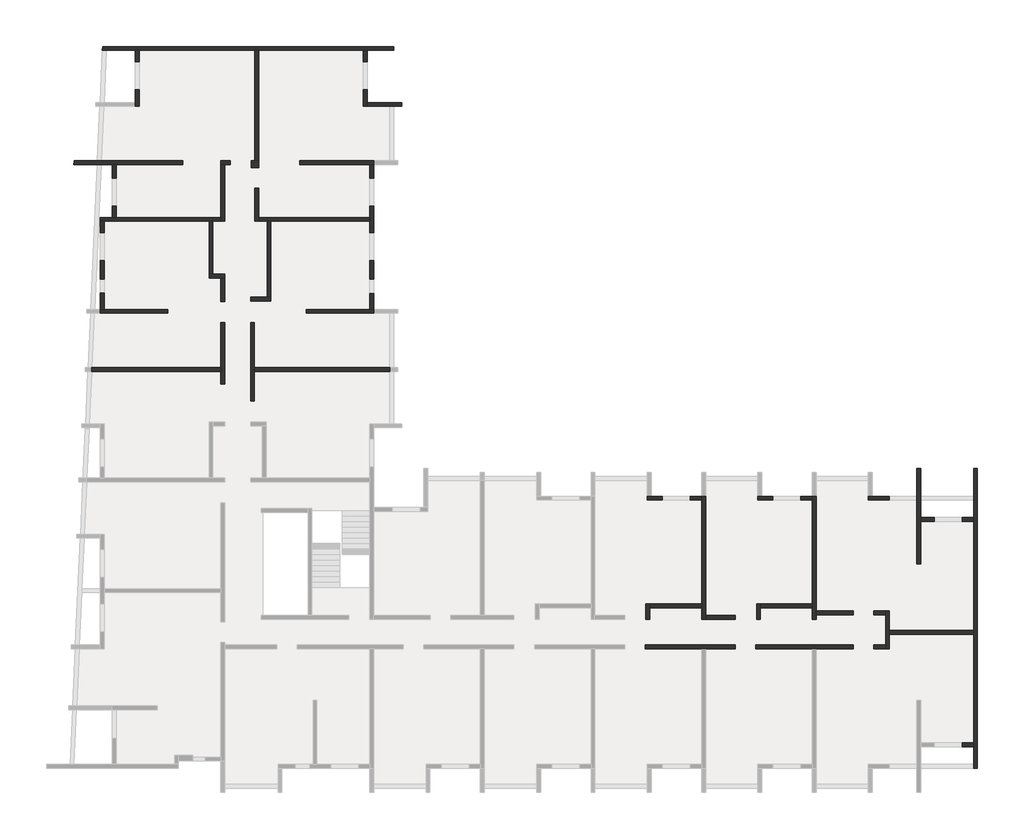
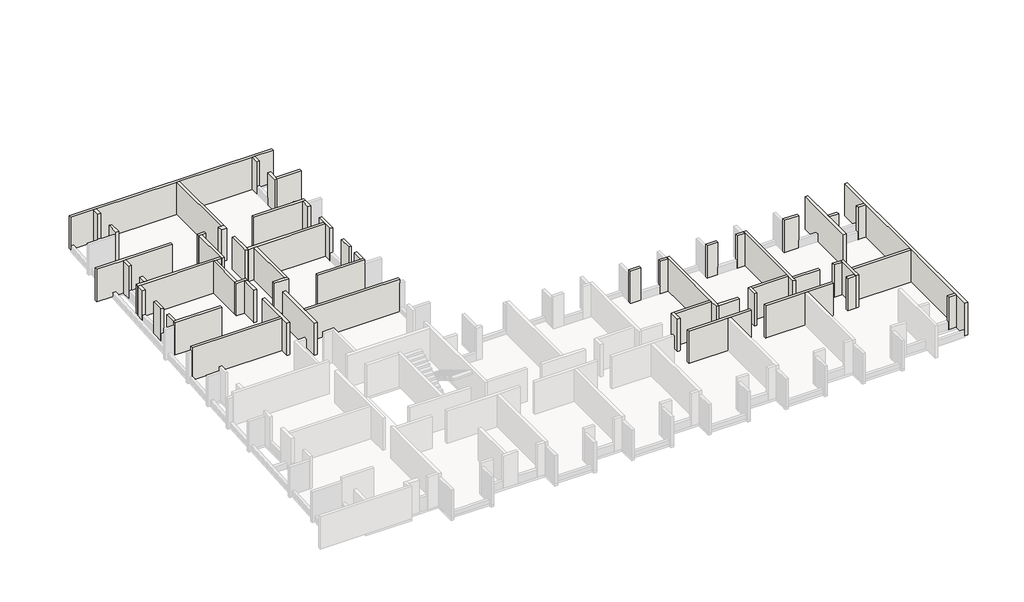
# One storey, part 2 of 4: 59 walls.
"""IFC4 building model written with IfcOpenShell, lengths in millimetres."""

from ifc_helpers import new_model, si_unit, frame, origin, place, context, project, spatial, polyline, outline, extrude, faceted_brep, element, save

model = new_model("IFC4")

# Units and contexts
model_context = context("Model", 3, world=origin())
ifc_project = project(units=[si_unit("LENGTHUNIT", "METRE", prefix="MILLI")], contexts=[model_context])

# Site, building, storey
site = spatial("IfcSite", under=ifc_project)
building = spatial("IfcBuilding", under=site)
storey = spatial("IfcBuildingStorey", under=building, Elevation=9760.0)

# Walls
placement = place(None, origin())
element("IfcWall", 1, ObjectType="MHA20", at=placement, inside=storey, context=model_context, shape_type="Brep", body=[
    faceted_brep([(-2535.6912908, -13279.0672499, 9760.0), (-2535.6912908, -12519.0672499, 9760.0), (-2535.6912908, -12319.0672499, 9760.0), (-2535.6912908, -11329.0672499, 9760.0), (-2535.6912908, -11329.0672499, 12290.0), (-2535.6912908, -12319.0672499, 12290.0), (-2535.6912908, -12519.0672499, 12290.0), (-2535.6912908, -13279.0672499, 12290.0), (-2735.6912908, -13279.0672499, 9760.0), (-2735.6912908, -13279.0672499, 12290.0), (-2735.6912908, -13079.0672499, 12290.0), (-2735.6912908, -11529.0672499, 12290.0), (-2735.6912908, -11329.0672499, 12290.0), (-2735.6912908, -11329.0672499, 9760.0), (-2735.6912908, -11529.0672499, 9760.0), (-2735.6912908, -13079.0672499, 9760.0)], [[[0, 1, 2, 3, 4, 5, 6, 7]], [[8, 9, 10, 11, 12, 13, 14, 15]], [[3, 2, 1, 0, 8, 15, 14, 13]], [[7, 6, 5, 4, 12, 11, 10, 9]], [[4, 3, 13, 12]], [[0, 7, 9, 8]]]),
])
element("IfcWall", 2, ObjectType="MHA20", at=placement, inside=storey, context=model_context, shape_type="SweptSolid", body=[
    extrude(outline(polyline([(1794.3087092, -12519.0672499), (-2535.6912908, -12519.0672499), (-2535.6912908, -12319.0672499), (1794.3087092, -12319.0672499), (1794.3087092, -12519.0672499)])), frame((0.0, 0.0, 9760.0), z_axis=(0.0, 0.0, 1.0), x_axis=(1.0, 0.0, 0.0)), (0.0, 0.0, 1.0), 2530.0),
])
element("IfcWall", 3, ObjectType="MHA20", at=placement, inside=storey, context=model_context, shape_type="Brep", body=[
    faceted_brep([(1994.3087092, -19419.0672499, 9760.0), (1994.3087092, -3999.0672499, 9760.0), (1994.3087092, -3999.0672499, 12290.0), (1994.3087092, -19419.0672499, 12290.0), (1794.3087092, -19419.0672499, 9760.0), (1794.3087092, -19419.0672499, 10080.0), (1794.3087092, -19419.0672499, 12140.0), (1794.3087092, -19419.0672499, 12290.0), (1794.3087092, -18319.0672499, 12290.0), (1794.3087092, -18119.0672499, 12290.0), (1794.3087092, -12519.0672499, 12290.0), (1794.3087092, -12319.0672499, 12290.0), (1794.3087092, -6719.0672499, 12290.0), (1794.3087092, -6519.0672499, 12290.0), (1794.3087092, -3999.0672499, 12290.0), (1794.3087092, -3999.0672499, 9760.0), (1794.3087092, -6519.0672499, 9760.0), (1794.3087092, -6719.0672499, 9760.0), (1794.3087092, -12319.0672499, 9760.0), (1794.3087092, -12519.0672499, 9760.0), (1794.3087092, -18119.0672499, 9760.0), (1794.3087092, -18319.0672499, 9760.0)], [[[0, 1, 2, 3]], [[4, 5, 6, 7, 8, 9, 10, 11, 12, 13, 14, 15, 16, 17, 18, 19, 20, 21]], [[1, 0, 4, 21, 20, 19, 18, 17, 16, 15]], [[2, 1, 15, 14]], [[3, 2, 14, 13, 12, 11, 10, 9, 8, 7]], [[0, 3, 7, 6, 5, 4]]]),
])
element("IfcWall", 4, ObjectType="MHA20", at=placement, inside=storey, context=model_context, shape_type="SweptSolid", body=[
    extrude(outline(polyline([(-2735.6912908, -11529.0672499), (-3335.6912908, -11529.0672499), (-3335.6912908, -11329.0672499), (-2735.6912908, -11329.0672499), (-2735.6912908, -11529.0672499)])), frame((0.0, 0.0, 9760.0), z_axis=(0.0, 0.0, 1.0), x_axis=(1.0, 0.0, 0.0)), (0.0, 0.0, 1.0), 2530.0),
])
element("IfcWall", 5, ObjectType="MHA20", at=placement, inside=storey, context=model_context, shape_type="SweptSolid", body=[
    extrude(outline(polyline([(-2735.6912908, -13279.0672499), (-3335.6912908, -13279.0672499), (-3335.6912908, -13079.0672499), (-2735.6912908, -13079.0672499), (-2735.6912908, -13279.0672499)])), frame((0.0, 0.0, 9760.0), z_axis=(0.0, 0.0, 1.0), x_axis=(1.0, 0.0, 0.0)), (0.0, 0.0, 1.0), 2530.0),
])
element("IfcWall", 6, ObjectType="MHA20", at=placement, inside=storey, context=model_context, shape_type="SweptSolid", body=[
    extrude(outline(polyline([(-6305.6912908, -11329.0672499), (-4395.6912908, -11329.0672499), (-4395.6912908, -11529.0672499), (-6305.6912908, -11529.0672499), (-6305.6912908, -11329.0672499)])), frame((0.0, 0.0, 9760.0), z_axis=(0.0, 0.0, 1.0), x_axis=(1.0, 0.0, 0.0)), (0.0, 0.0, 1.0), 2530.0),
])
element("IfcWall", 7, ObjectType="MHA20", at=placement, inside=storey, context=model_context, shape_type="Brep", body=[
    faceted_brep([(-4395.6912908, -13079.0672499, 9760.0), (-9410.6912908, -13079.0672499, 9760.0), (-9410.6912908, -13079.0672499, 12290.0), (-4395.6912908, -13079.0672499, 12290.0), (-4395.6912908, -13279.0672499, 9760.0), (-4395.6912908, -13279.0672499, 12290.0), (-6305.6912908, -13279.0672499, 12290.0), (-6505.6912908, -13279.0672499, 12290.0), (-9410.6912908, -13279.0672499, 12290.0), (-9410.6912908, -13279.0672499, 9760.0), (-6505.6912908, -13279.0672499, 9760.0), (-6305.6912908, -13279.0672499, 9760.0)], [[[0, 1, 2, 3]], [[4, 5, 6, 7, 8, 9, 10, 11]], [[1, 0, 4, 11, 10, 9]], [[2, 1, 9, 8]], [[3, 2, 8, 7, 6, 5]], [[0, 3, 5, 4]]]),
])
element("IfcWall", 8, ObjectType="MHA20", at=placement, inside=storey, context=model_context, shape_type="Brep", body=[
    faceted_brep([(-6305.6912908, -11759.0672499, 9760.0), (-6305.6912908, -11529.0672499, 9760.0), (-6305.6912908, -11329.0672499, 9760.0), (-6305.6912908, -5419.0672499, 9760.0), (-6305.6912908, -5419.0672499, 11990.0), (-6305.6912908, -5419.0672499, 12290.0), (-6305.6912908, -11329.0672499, 12290.0), (-6305.6912908, -11529.0672499, 12290.0), (-6305.6912908, -11759.0672499, 12290.0), (-6505.6912908, -11759.0672499, 9760.0), (-6505.6912908, -11759.0672499, 12290.0), (-6505.6912908, -11159.0672499, 12290.0), (-6505.6912908, -10959.0672499, 12290.0), (-6505.6912908, -5619.0672499, 12290.0), (-6505.6912908, -5419.0672499, 12290.0), (-6505.6912908, -5419.0672499, 11990.0), (-6505.6912908, -5419.0672499, 9760.0), (-6505.6912908, -5619.0672499, 9760.0), (-6505.6912908, -10959.0672499, 9760.0), (-6505.6912908, -11159.0672499, 9760.0)], [[[0, 1, 2, 3, 4, 5, 6, 7, 8]], [[9, 10, 11, 12, 13, 14, 15, 16, 17, 18, 19]], [[3, 2, 1, 0, 9, 19, 18, 17, 16]], [[8, 7, 6, 5, 14, 13, 12, 11, 10]], [[0, 8, 10, 9]], [[5, 4, 3, 16, 15, 14]]]),
])
element("IfcWall", 9, ObjectType="MHA20", at=placement, inside=storey, context=model_context, shape_type="SweptSolid", body=[
    extrude(outline(polyline([(1794.3087092, -18319.0672499), (1214.3087092, -18319.0672499), (1214.3087092, -18119.0672499), (1794.3087092, -18119.0672499), (1794.3087092, -18319.0672499)])), frame((0.0, 0.0, 9760.0), z_axis=(0.0, 0.0, 1.0), x_axis=(1.0, 0.0, 0.0)), (0.0, 0.0, 1.0), 2530.0),
])
element("IfcWall", 10, ObjectType="MHA20", at=placement, inside=storey, context=model_context, shape_type="SweptSolid", body=[
    extrude(outline(polyline([(-225.6912908, -6719.0672499), (-925.6912908, -6719.0672499), (-925.6912908, -6519.0672499), (-225.6912908, -6519.0672499), (-225.6912908, -6719.0672499)])), frame((0.0, 0.0, 9760.0), z_axis=(0.0, 0.0, 1.0), x_axis=(1.0, 0.0, 0.0)), (0.0, 0.0, 1.0), 2530.0),
])
element("IfcWall", 11, ObjectType="MHA20", at=placement, inside=storey, context=model_context, shape_type="SweptSolid", body=[
    extrude(outline(polyline([(1794.3087092, -6719.0672499), (1214.3087092, -6719.0672499), (1214.3087092, -6519.0672499), (1794.3087092, -6519.0672499), (1794.3087092, -6719.0672499)])), frame((0.0, 0.0, 9760.0), z_axis=(0.0, 0.0, 1.0), x_axis=(1.0, 0.0, 0.0)), (0.0, 0.0, 1.0), 2530.0),
])
element("IfcWall", 12, ObjectType="MHA20", at=placement, inside=storey, context=model_context, shape_type="Brep", body=[
    faceted_brep([(-1125.6912908, -3999.0672499, 9760.0), (-1125.6912908, -5419.0672499, 9760.0), (-1125.6912908, -5619.0672499, 9760.0), (-1125.6912908, -8899.0672499, 9760.0), (-1125.6912908, -8899.0672499, 12290.0), (-1125.6912908, -3999.0672499, 12290.0), (-925.6912908, -3999.0672499, 9760.0), (-925.6912908, -3999.0672499, 12290.0), (-925.6912908, -6519.0672499, 12290.0), (-925.6912908, -6719.0672499, 12290.0), (-925.6912908, -8899.0672499, 12290.0), (-925.6912908, -8899.0672499, 9760.0), (-925.6912908, -6719.0672499, 9760.0), (-925.6912908, -6519.0672499, 9760.0)], [[[0, 1, 2, 3, 4, 5]], [[6, 7, 8, 9, 10, 11, 12, 13]], [[3, 2, 1, 0, 6, 13, 12, 11]], [[4, 3, 11, 10]], [[5, 4, 10, 9, 8, 7]], [[0, 5, 7, 6]]]),
])
element("IfcWall", 13, ObjectType="MHA20", at=placement, inside=storey, context=model_context, shape_type="Brep", body=[
    faceted_brep([(-3615.6912908, -5619.0672499, 9760.0), (-2545.6912908, -5619.0672499, 9760.0), (-2545.6912908, -5619.0672499, 10360.0), (-2545.6912908, -5619.0672499, 12290.0), (-3615.6912908, -5619.0672499, 12290.0), (-3615.6912908, -5419.0672499, 9760.0), (-3615.6912908, -5419.0672499, 11990.0), (-3615.6912908, -5419.0672499, 12290.0), (-2545.6912908, -5419.0672499, 12290.0), (-2545.6912908, -5419.0672499, 10360.0), (-2545.6912908, -5419.0672499, 9760.0), (-3415.6912908, -5419.0672499, 9760.0)], [[[0, 1, 2, 3, 4]], [[5, 6, 7, 8, 9, 10, 11]], [[1, 0, 5, 11, 10]], [[3, 2, 1, 10, 9, 8]], [[4, 3, 8, 7]], [[0, 4, 7, 6, 5]]]),
])
element("IfcWall", 14, ObjectType="MHA20", at=placement, inside=storey, context=model_context, shape_type="Brep", body=[
    faceted_brep([(-11995.6912908, -11759.0672499, 9760.0), (-11995.6912908, -11559.0672499, 9760.0), (-11995.6912908, -5419.0672499, 9760.0), (-11995.6912908, -5419.0672499, 11990.0), (-11995.6912908, -5419.0672499, 12290.0), (-11995.6912908, -11559.0672499, 12290.0), (-11995.6912908, -11759.0672499, 12290.0), (-12195.6912908, -11759.0672499, 9760.0), (-12195.6912908, -11759.0672499, 12290.0), (-12195.6912908, -11159.0672499, 12290.0), (-12195.6912908, -10959.0672499, 12290.0), (-12195.6912908, -5619.0672499, 12290.0), (-12195.6912908, -5419.0672499, 12290.0), (-12195.6912908, -5419.0672499, 11990.0), (-12195.6912908, -5419.0672499, 9760.0), (-12195.6912908, -5619.0672499, 9760.0), (-12195.6912908, -10959.0672499, 9760.0), (-12195.6912908, -11159.0672499, 9760.0)], [[[0, 1, 2, 3, 4, 5, 6]], [[7, 8, 9, 10, 11, 12, 13, 14, 15, 16, 17]], [[2, 1, 0, 7, 17, 16, 15, 14]], [[6, 5, 4, 12, 11, 10, 9, 8]], [[0, 6, 8, 7]], [[4, 3, 2, 14, 13, 12]]]),
])
element("IfcWall", 15, ObjectType="MHA20", at=placement, inside=storey, context=model_context, shape_type="Brep", body=[
    faceted_brep([(-9305.6912908, -5619.0672499, 9760.0), (-8525.6912908, -5619.0672499, 9760.0), (-8525.6912908, -5619.0672499, 10360.0), (-8525.6912908, -5619.0672499, 12290.0), (-9305.6912908, -5619.0672499, 12290.0), (-9305.6912908, -5419.0672499, 9760.0), (-9305.6912908, -5419.0672499, 11990.0), (-9305.6912908, -5419.0672499, 12290.0), (-8525.6912908, -5419.0672499, 12290.0), (-8525.6912908, -5419.0672499, 10360.0), (-8525.6912908, -5419.0672499, 9760.0), (-9105.6912908, -5419.0672499, 9760.0)], [[[0, 1, 2, 3, 4]], [[5, 6, 7, 8, 9, 10, 11]], [[1, 0, 5, 11, 10]], [[3, 2, 1, 10, 9, 8]], [[4, 3, 8, 7]], [[0, 4, 7, 6, 5]]]),
])
element("IfcWall", 16, ObjectType="MHA20", at=placement, inside=storey, context=model_context, shape_type="Brep", body=[
    faceted_brep([(-14995.6912908, -5619.0672499, 9760.0), (-14215.6912908, -5619.0672499, 9760.0), (-14215.6912908, -5619.0672499, 10360.0), (-14215.6912908, -5619.0672499, 12290.0), (-14995.6912908, -5619.0672499, 12290.0), (-14995.6912908, -5419.0672499, 9760.0), (-14995.6912908, -5419.0672499, 11990.0), (-14995.6912908, -5419.0672499, 12290.0), (-14215.6912908, -5419.0672499, 12290.0), (-14215.6912908, -5419.0672499, 10360.0), (-14215.6912908, -5419.0672499, 9760.0), (-14795.6912908, -5419.0672499, 9760.0)], [[[0, 1, 2, 3, 4]], [[5, 6, 7, 8, 9, 10, 11]], [[1, 0, 5, 11, 10]], [[3, 2, 1, 10, 9, 8]], [[4, 3, 8, 7]], [[0, 4, 7, 6, 5]]]),
])
element("IfcWall", 17, ObjectType="MHA20", at=placement, inside=storey, context=model_context, shape_type="Brep", body=[
    faceted_brep([(-12775.6912908, -5619.0672499, 9760.0), (-12195.6912908, -5619.0672499, 9760.0), (-12195.6912908, -5619.0672499, 12290.0), (-12775.6912908, -5619.0672499, 12290.0), (-12775.6912908, -5619.0672499, 10360.0), (-12775.6912908, -5419.0672499, 9760.0), (-12775.6912908, -5419.0672499, 10360.0), (-12775.6912908, -5419.0672499, 12290.0), (-12195.6912908, -5419.0672499, 12290.0), (-12195.6912908, -5419.0672499, 9760.0)], [[[0, 1, 2, 3, 4]], [[5, 6, 7, 8, 9]], [[1, 0, 5, 9]], [[3, 2, 8, 7]], [[0, 4, 3, 7, 6, 5]], [[2, 1, 9, 8]]]),
])
element("IfcWall", 18, ObjectType="MHA20", at=placement, inside=storey, context=model_context, shape_type="Brep", body=[
    faceted_brep([(-10470.6912908, -13079.0672499, 9760.0), (-15100.6912908, -13079.0672499, 9760.0), (-15100.6912908, -13079.0672499, 12290.0), (-10470.6912908, -13079.0672499, 12290.0), (-10470.6912908, -13279.0672499, 9760.0), (-10470.6912908, -13279.0672499, 12290.0), (-11995.6912908, -13279.0672499, 12290.0), (-12195.6912908, -13279.0672499, 12290.0), (-15100.6912908, -13279.0672499, 12290.0), (-15100.6912908, -13279.0672499, 9760.0), (-12195.6912908, -13279.0672499, 9760.0), (-11995.6912908, -13279.0672499, 9760.0)], [[[0, 1, 2, 3]], [[4, 5, 6, 7, 8, 9, 10, 11]], [[1, 0, 4, 11, 10, 9]], [[2, 1, 9, 8]], [[3, 2, 8, 7, 6, 5]], [[0, 3, 5, 4]]]),
])
element("IfcWall", 19, ObjectType="MHA20", at=placement, inside=storey, context=model_context, shape_type="SweptSolid", body=[
    extrude(outline(polyline([(-11995.6912908, -11559.0672499), (-10470.6912908, -11559.0672499), (-10470.6912908, -11759.0672499), (-11995.6912908, -11759.0672499), (-11995.6912908, -11559.0672499)])), frame((0.0, 0.0, 9760.0), z_axis=(0.0, 0.0, 1.0), x_axis=(1.0, 0.0, 0.0)), (0.0, 0.0, 1.0), 2530.0),
])
element("IfcWall", 20, ObjectType="MHA20", at=placement, inside=storey, context=model_context, shape_type="Brep", body=[
    faceted_brep([(-9170.6912908, -11759.0672499, 9760.0), (-9170.6912908, -11159.0672499, 9760.0), (-9170.6912908, -10959.0672499, 9760.0), (-9170.6912908, -10959.0672499, 12290.0), (-9170.6912908, -11159.0672499, 12290.0), (-9170.6912908, -11759.0672499, 12290.0), (-9370.6912908, -11759.0672499, 9760.0), (-9370.6912908, -11759.0672499, 12290.0), (-9370.6912908, -10959.0672499, 12290.0), (-9370.6912908, -10959.0672499, 9760.0)], [[[0, 1, 2, 3, 4, 5]], [[6, 7, 8, 9]], [[2, 1, 0, 6, 9]], [[5, 4, 3, 8, 7]], [[0, 5, 7, 6]], [[3, 2, 9, 8]]]),
])
element("IfcWall", 21, ObjectType="MHA20", at=placement, inside=storey, context=model_context, shape_type="SweptSolid", body=[
    extrude(outline(polyline([(-6505.6912908, -11159.0672499), (-9170.6912908, -11159.0672499), (-9170.6912908, -10959.0672499), (-6505.6912908, -10959.0672499), (-6505.6912908, -11159.0672499)])), frame((0.0, 0.0, 9760.0), z_axis=(0.0, 0.0, 1.0), x_axis=(1.0, 0.0, 0.0)), (0.0, 0.0, 1.0), 2530.0),
])
element("IfcWall", 22, ObjectType="MHA20", at=placement, inside=storey, context=model_context, shape_type="Brep", body=[
    faceted_brep([(-14860.6912908, -11759.0672499, 9760.0), (-14860.6912908, -11159.0672499, 9760.0), (-14860.6912908, -10959.0672499, 9760.0), (-14860.6912908, -10959.0672499, 12290.0), (-14860.6912908, -11159.0672499, 12290.0), (-14860.6912908, -11759.0672499, 12290.0), (-15060.6912908, -11759.0672499, 9760.0), (-15060.6912908, -11759.0672499, 12290.0), (-15060.6912908, -10959.0672499, 12290.0), (-15060.6912908, -10959.0672499, 9760.0)], [[[0, 1, 2, 3, 4, 5]], [[6, 7, 8, 9]], [[2, 1, 0, 6, 9]], [[5, 4, 3, 8, 7]], [[0, 5, 7, 6]], [[3, 2, 9, 8]]]),
])
element("IfcWall", 23, ObjectType="MHA20", at=placement, inside=storey, context=model_context, shape_type="SweptSolid", body=[
    extrude(outline(polyline([(-12195.6912908, -11159.0672499), (-14860.6912908, -11159.0672499), (-14860.6912908, -10959.0672499), (-12195.6912908, -10959.0672499), (-12195.6912908, -11159.0672499)])), frame((0.0, 0.0, 9760.0), z_axis=(0.0, 0.0, 1.0), x_axis=(1.0, 0.0, 0.0)), (0.0, 0.0, 1.0), 2530.0),
])
element("IfcWall", 24, ObjectType="MHA20", at=placement, inside=storey, context=model_context, shape_type="Brep", body=[
    faceted_brep([(-35205.6912908, -509.0672499, 9760.0), (-35205.6912908, 1000.9327501, 9760.0), (-35205.6912908, 1200.9327501, 9760.0), (-35205.6912908, 3530.9327501, 9760.0), (-35205.6912908, 3530.9327501, 12290.0), (-35205.6912908, 1200.9327501, 12290.0), (-35205.6912908, 1000.9327501, 12290.0), (-35205.6912908, -509.0672499, 12290.0), (-35405.6912908, -509.0672499, 9760.0), (-35405.6912908, -509.0672499, 12290.0), (-35405.6912908, 3530.9327501, 12290.0), (-35405.6912908, 3530.9327501, 9760.0)], [[[0, 1, 2, 3, 4, 5, 6, 7]], [[8, 9, 10, 11]], [[3, 2, 1, 0, 8, 11]], [[4, 3, 11, 10]], [[7, 6, 5, 4, 10, 9]], [[0, 7, 9, 8]]]),
])
element("IfcWall", 25, ObjectType="MHA20", at=placement, inside=storey, context=model_context, shape_type="Brep", body=[
    faceted_brep([(-29395.6912908, 16950.9327501, 9760.0), (-29395.6912908, 17530.9327501, 9760.0), (-29395.6912908, 17530.9327501, 12290.0), (-29395.6912908, 16950.9327501, 12290.0), (-29395.6912908, 16950.9327501, 10360.0), (-29595.6912908, 16950.9327501, 9760.0), (-29595.6912908, 16950.9327501, 10360.0), (-29595.6912908, 16950.9327501, 12290.0), (-29595.6912908, 17530.9327501, 12290.0), (-29595.6912908, 17530.9327501, 9760.0)], [[[0, 1, 2, 3, 4]], [[5, 6, 7, 8, 9]], [[1, 0, 5, 9]], [[3, 2, 8, 7]], [[0, 4, 3, 7, 6, 5]], [[2, 1, 9, 8]]]),
])
element("IfcWall", 26, ObjectType="MHA20", at=placement, inside=storey, context=model_context, shape_type="Brep", body=[
    faceted_brep([(-36935.6912908, 1000.9327501, 9760.0), (-36935.6912908, 1000.9327501, 12290.0), (-43571.6196137, 1000.9327501, 12290.0), (-43571.6196137, 1000.9327501, 11990.0), (-43571.6196137, 1000.9327501, 9760.0), (-36935.6912908, 1200.9327501, 12290.0), (-36935.6912908, 1200.9327501, 9760.0), (-43562.5466312, 1200.9327501, 9760.0), (-43562.5466312, 1200.9327501, 11990.0), (-43562.5466312, 1200.9327501, 12290.0)], [[[0, 1, 2, 3, 4]], [[5, 6, 7, 8, 9]], [[6, 0, 4, 7]], [[1, 5, 9, 2]], [[4, 3, 2, 9, 8, 7]], [[1, 0, 6, 5]]]),
])
element("IfcWall", 27, ObjectType="MHA20", at=placement, inside=storey, context=model_context, shape_type="Brep", body=[
    faceted_brep([(-35205.6912908, 1000.9327501, 9760.0), (-28235.6912908, 1000.9327501, 9760.0), (-28235.6912908, 1000.9327501, 11990.0), (-28235.6912908, 1000.9327501, 12290.0), (-35205.6912908, 1000.9327501, 12290.0), (-35205.6912908, 1200.9327501, 9760.0), (-35205.6912908, 1200.9327501, 12290.0), (-28235.6912908, 1200.9327501, 12290.0), (-28235.6912908, 1200.9327501, 11990.0), (-28235.6912908, 1200.9327501, 9760.0)], [[[0, 1, 2, 3, 4]], [[5, 6, 7, 8, 9]], [[1, 0, 5, 9]], [[3, 2, 1, 9, 8, 7]], [[4, 3, 7, 6]], [[0, 4, 6, 5]]]),
])
element("IfcWall", 28, ObjectType="MHA20", at=placement, inside=storey, context=model_context, shape_type="Brep", body=[
    faceted_brep([(-35405.6912908, 4620.9327501, 9760.0), (-34355.6912908, 4620.9327501, 9760.0), (-34355.6912908, 4620.9327501, 12290.0), (-35405.6912908, 4620.9327501, 12290.0), (-35405.6912908, 4820.9327501, 9760.0), (-35405.6912908, 4820.9327501, 12290.0), (-34555.6912908, 4820.9327501, 12290.0), (-34355.6912908, 4820.9327501, 12290.0), (-34355.6912908, 4820.9327501, 9760.0), (-34555.6912908, 4820.9327501, 9760.0)], [[[0, 1, 2, 3]], [[4, 5, 6, 7, 8, 9]], [[1, 0, 4, 9, 8]], [[3, 2, 7, 6, 5]], [[0, 3, 5, 4]], [[2, 1, 8, 7]]]),
])
element("IfcWall", 29, ObjectType="MHA20", at=placement, inside=storey, context=model_context, shape_type="SweptSolid", body=[
    extrude(outline(polyline([(-34355.6912908, 8730.9327501), (-34355.6912908, 4820.9327501), (-34555.6912908, 4820.9327501), (-34555.6912908, 8730.9327501), (-34355.6912908, 8730.9327501)])), frame((0.0, 0.0, 9760.0), z_axis=(0.0, 0.0, 1.0), x_axis=(1.0, 0.0, 0.0)), (0.0, 0.0, 1.0), 2530.0),
])
element("IfcWall", 30, ObjectType="MHA20", at=placement, inside=storey, context=model_context, shape_type="Brep", body=[
    faceted_brep([(-29065.6912908, 4200.9327501, 9760.0), (-29065.6912908, 5020.9327501, 9760.0), (-29065.6912908, 5020.9327501, 10360.0), (-29065.6912908, 5020.9327501, 12290.0), (-29065.6912908, 4200.9327501, 12290.0), (-29265.6912908, 4200.9327501, 9760.0), (-29265.6912908, 4200.9327501, 12290.0), (-29265.6912908, 5020.9327501, 12290.0), (-29265.6912908, 5020.9327501, 10360.0), (-29265.6912908, 5020.9327501, 9760.0)], [[[0, 1, 2, 3, 4]], [[5, 6, 7, 8, 9]], [[1, 0, 5, 9]], [[3, 2, 1, 9, 8, 7]], [[4, 3, 7, 6]], [[0, 4, 6, 5]]]),
])
element("IfcWall", 31, ObjectType="MHA20", at=placement, inside=storey, context=model_context, shape_type="Brep", body=[
    faceted_brep([(-29065.6912908, 5760.9327501, 9760.0), (-29065.6912908, 6710.9327501, 9760.0), (-29065.6912908, 6710.9327501, 10360.0), (-29065.6912908, 6710.9327501, 12290.0), (-29065.6912908, 5760.9327501, 12290.0), (-29065.6912908, 5760.9327501, 10360.0), (-29265.6912908, 5760.9327501, 9760.0), (-29265.6912908, 5760.9327501, 10360.0), (-29265.6912908, 5760.9327501, 12290.0), (-29265.6912908, 6710.9327501, 12290.0), (-29265.6912908, 6710.9327501, 10360.0), (-29265.6912908, 6710.9327501, 9760.0)], [[[0, 1, 2, 3, 4, 5]], [[6, 7, 8, 9, 10, 11]], [[1, 0, 6, 11]], [[3, 2, 1, 11, 10, 9]], [[4, 3, 9, 8]], [[0, 5, 4, 8, 7, 6]]]),
])
element("IfcWall", 32, ObjectType="MHA20", at=placement, inside=storey, context=model_context, shape_type="Brep", body=[
    faceted_brep([(-29065.6912908, 8150.9327501, 9760.0), (-29065.6912908, 9510.9327501, 9760.0), (-29065.6912908, 9510.9327501, 12290.0), (-29065.6912908, 8150.9327501, 12290.0), (-29065.6912908, 8150.9327501, 10360.0), (-29265.6912908, 8150.9327501, 9760.0), (-29265.6912908, 8150.9327501, 10360.0), (-29265.6912908, 8150.9327501, 12290.0), (-29265.6912908, 8730.9327501, 12290.0), (-29265.6912908, 8930.9327501, 12290.0), (-29265.6912908, 9510.9327501, 12290.0), (-29265.6912908, 9510.9327501, 9760.0), (-29265.6912908, 8930.9327501, 9760.0), (-29265.6912908, 8730.9327501, 9760.0)], [[[0, 1, 2, 3, 4]], [[5, 6, 7, 8, 9, 10, 11, 12, 13]], [[1, 0, 5, 13, 12, 11]], [[2, 1, 11, 10]], [[3, 2, 10, 9, 8, 7]], [[0, 4, 3, 7, 6, 5]]]),
])
element("IfcWall", 33, ObjectType="MHA20", at=placement, inside=storey, context=model_context, shape_type="SweptSolid", body=[
    extrude(outline(polyline([(-29065.6912908, 11650.9327501), (-29065.6912908, 10950.9327501), (-29265.6912908, 10950.9327501), (-29265.6912908, 11650.9327501), (-29065.6912908, 11650.9327501)])), frame((0.0, 0.0, 9760.0), z_axis=(0.0, 0.0, 1.0), x_axis=(1.0, 0.0, 0.0)), (0.0, 0.0, 1.0), 2530.0),
])
element("IfcWall", 34, ObjectType="MHA20", at=placement, inside=storey, context=model_context, shape_type="Brep", body=[
    faceted_brep([(-29595.6912908, 15510.9327501, 9760.0), (-29595.6912908, 14650.9327501, 9760.0), (-29595.6912908, 14650.9327501, 12290.0), (-29595.6912908, 15510.9327501, 12290.0), (-29595.6912908, 15510.9327501, 10360.0), (-29395.6912908, 15510.9327501, 9760.0), (-29395.6912908, 15510.9327501, 10360.0), (-29395.6912908, 15510.9327501, 12290.0), (-29395.6912908, 14850.9327501, 12290.0), (-29395.6912908, 14650.9327501, 12290.0), (-29395.6912908, 14650.9327501, 9760.0), (-29395.6912908, 14850.9327501, 9760.0)], [[[0, 1, 2, 3, 4]], [[5, 6, 7, 8, 9, 10, 11]], [[1, 0, 5, 11, 10]], [[3, 2, 9, 8, 7]], [[0, 4, 3, 7, 6, 5]], [[2, 1, 10, 9]]]),
])
element("IfcWall", 35, ObjectType="MHA20", at=placement, inside=storey, context=model_context, shape_type="SweptSolid", body=[
    extrude(outline(polyline([(-35175.6912908, 11850.9327501), (-35175.6912908, 17530.9327501), (-34975.6912908, 17530.9327501), (-34975.6912908, 11850.9327501), (-35175.6912908, 11850.9327501)])), frame((0.0, 0.0, 9760.0), z_axis=(0.0, 0.0, 1.0), x_axis=(1.0, 0.0, 0.0)), (0.0, 0.0, 1.0), 2530.0),
])
element("IfcWall", 36, ObjectType="MHA20", at=placement, inside=storey, context=model_context, shape_type="Brep", body=[
    faceted_brep([(-35175.6912908, 10430.9327501, 9760.0), (-35175.6912908, 8730.9327501, 9760.0), (-35175.6912908, 8730.9327501, 12290.0), (-35175.6912908, 10430.9327501, 12290.0), (-34975.6912908, 10430.9327501, 9760.0), (-34975.6912908, 10430.9327501, 12290.0), (-34975.6912908, 8930.9327501, 12290.0), (-34975.6912908, 8730.9327501, 12290.0), (-34975.6912908, 8730.9327501, 9760.0), (-34975.6912908, 8930.9327501, 9760.0)], [[[0, 1, 2, 3]], [[4, 5, 6, 7, 8, 9]], [[1, 0, 4, 9, 8]], [[3, 2, 7, 6, 5]], [[0, 3, 5, 4]], [[2, 1, 8, 7]]]),
])
element("IfcWall", 37, ObjectType="MHA20", at=placement, inside=storey, context=model_context, shape_type="Brep", body=[
    faceted_brep([(-36735.6912908, 360.9327501, 9760.0), (-36735.6912908, 3530.9327501, 9760.0), (-36735.6912908, 3530.9327501, 12290.0), (-36735.6912908, 360.9327501, 12290.0), (-36935.6912908, 360.9327501, 9760.0), (-36935.6912908, 360.9327501, 12290.0), (-36935.6912908, 1000.9327501, 12290.0), (-36935.6912908, 1200.9327501, 12290.0), (-36935.6912908, 3530.9327501, 12290.0), (-36935.6912908, 3530.9327501, 9760.0), (-36935.6912908, 1200.9327501, 9760.0), (-36935.6912908, 1000.9327501, 9760.0)], [[[0, 1, 2, 3]], [[4, 5, 6, 7, 8, 9, 10, 11]], [[1, 0, 4, 11, 10, 9]], [[2, 1, 9, 8]], [[3, 2, 8, 7, 6, 5]], [[0, 3, 5, 4]]]),
])
element("IfcWall", 38, ObjectType="MHA20", at=placement, inside=storey, context=model_context, shape_type="Brep", body=[
    faceted_brep([(-41135.6912908, 14650.9327501, 9760.0), (-41135.6912908, 15510.9327501, 9760.0), (-41135.6912908, 15510.9327501, 10360.0), (-41135.6912908, 15510.9327501, 12290.0), (-41135.6912908, 14650.9327501, 12290.0), (-41335.6912908, 14650.9327501, 9760.0), (-41335.6912908, 14650.9327501, 12290.0), (-41335.6912908, 15510.9327501, 12290.0), (-41335.6912908, 15510.9327501, 10360.0), (-41335.6912908, 15510.9327501, 9760.0)], [[[0, 1, 2, 3, 4]], [[5, 6, 7, 8, 9]], [[1, 0, 5, 9]], [[3, 2, 1, 9, 8, 7]], [[4, 3, 7, 6]], [[0, 4, 6, 5]]]),
])
element("IfcWall", 39, ObjectType="MHA20", at=placement, inside=storey, context=model_context, shape_type="Brep", body=[
    faceted_brep([(-41135.6912908, 16950.9327501, 9760.0), (-41135.6912908, 17530.9327501, 9760.0), (-41135.6912908, 17530.9327501, 12290.0), (-41135.6912908, 16950.9327501, 12290.0), (-41135.6912908, 16950.9327501, 10360.0), (-41335.6912908, 16950.9327501, 9760.0), (-41335.6912908, 16950.9327501, 10360.0), (-41335.6912908, 16950.9327501, 12290.0), (-41335.6912908, 17530.9327501, 12290.0), (-41335.6912908, 17530.9327501, 9760.0)], [[[0, 1, 2, 3, 4]], [[5, 6, 7, 8, 9]], [[1, 0, 5, 9]], [[3, 2, 8, 7]], [[0, 4, 3, 7, 6, 5]], [[2, 1, 9, 8]]]),
])
element("IfcWall", 40, ObjectType="MHA20", at=placement, inside=storey, context=model_context, shape_type="Brep", body=[
    faceted_brep([(-36735.6912908, 8730.9327501, 9760.0), (-36735.6912908, 11650.9327501, 9760.0), (-36735.6912908, 11650.9327501, 12290.0), (-36735.6912908, 8730.9327501, 12290.0), (-36935.6912908, 8730.9327501, 9760.0), (-36935.6912908, 8730.9327501, 12290.0), (-36935.6912908, 8930.9327501, 12290.0), (-36935.6912908, 11650.9327501, 12290.0), (-36935.6912908, 11650.9327501, 9760.0), (-36935.6912908, 8930.9327501, 9760.0)], [[[0, 1, 2, 3]], [[4, 5, 6, 7, 8, 9]], [[1, 0, 4, 9, 8]], [[3, 2, 7, 6, 5]], [[2, 1, 8, 7]], [[0, 3, 5, 4]]]),
])
element("IfcWall", 41, ObjectType="MHA20", at=placement, inside=storey, context=model_context, shape_type="Brep", body=[
    faceted_brep([(-36935.6912908, 8930.9327501, 9760.0), (-42325.6912908, 8930.9327501, 9760.0), (-42525.6912908, 8930.9327501, 9760.0), (-43135.6912908, 8930.9327501, 9760.0), (-43135.6912908, 8930.9327501, 12290.0), (-42525.6912908, 8930.9327501, 12290.0), (-42325.6912908, 8930.9327501, 12290.0), (-36935.6912908, 8930.9327501, 12290.0), (-36935.6912908, 8730.9327501, 9760.0), (-36935.6912908, 8730.9327501, 12290.0), (-37335.6912908, 8730.9327501, 12290.0), (-37535.6912908, 8730.9327501, 12290.0), (-42935.6912908, 8730.9327501, 12290.0), (-43135.6912908, 8730.9327501, 12290.0), (-43135.6912908, 8730.9327501, 9760.0), (-42935.6912908, 8730.9327501, 9760.0), (-37535.6912908, 8730.9327501, 9760.0), (-37335.6912908, 8730.9327501, 9760.0)], [[[0, 1, 2, 3, 4, 5, 6, 7]], [[8, 9, 10, 11, 12, 13, 14, 15, 16, 17]], [[3, 2, 1, 0, 8, 17, 16, 15, 14]], [[7, 6, 5, 4, 13, 12, 11, 10, 9]], [[4, 3, 14, 13]], [[0, 7, 9, 8]]]),
])
element("IfcWall", 42, ObjectType="MHA20", at=placement, inside=storey, context=model_context, shape_type="SweptSolid", body=[
    extrude(outline(polyline([(-37535.6912908, 6010.9327501), (-37535.6912908, 8730.9327501), (-37335.6912908, 8730.9327501), (-37335.6912908, 6010.9327501), (-37535.6912908, 6010.9327501)])), frame((0.0, 0.0, 9760.0), z_axis=(0.0, 0.0, 1.0), x_axis=(1.0, 0.0, 0.0)), (0.0, 0.0, 1.0), 2530.0),
])
element("IfcWall", 43, ObjectType="MHA20", at=placement, inside=storey, context=model_context, shape_type="Brep", body=[
    faceted_brep([(-37535.6912908, 5810.9327501, 9760.0), (-36935.6912908, 5810.9327501, 9760.0), (-36735.6912908, 5810.9327501, 9760.0), (-36735.6912908, 5810.9327501, 12290.0), (-36935.6912908, 5810.9327501, 12290.0), (-37535.6912908, 5810.9327501, 12290.0), (-37535.6912908, 6010.9327501, 9760.0), (-37535.6912908, 6010.9327501, 12290.0), (-37335.6912908, 6010.9327501, 12290.0), (-36735.6912908, 6010.9327501, 12290.0), (-36735.6912908, 6010.9327501, 9760.0), (-37335.6912908, 6010.9327501, 9760.0)], [[[0, 1, 2, 3, 4, 5]], [[6, 7, 8, 9, 10, 11]], [[2, 1, 0, 6, 11, 10]], [[5, 4, 3, 9, 8, 7]], [[0, 5, 7, 6]], [[3, 2, 10, 9]]]),
])
element("IfcWall", 44, ObjectType="MHA20", at=placement, inside=storey, context=model_context, shape_type="Brep", body=[
    faceted_brep([(-39655.6912908, 4200.9327501, 9760.0), (-42935.6912908, 4200.9327501, 9760.0), (-43135.6912908, 4200.9327501, 9760.0), (-43135.6912908, 4200.9327501, 11990.0), (-43135.6912908, 4200.9327501, 12140.0), (-43135.6912908, 4200.9327501, 12290.0), (-42935.6912908, 4200.9327501, 12290.0), (-39655.6912908, 4200.9327501, 12290.0), (-39655.6912908, 4000.9327501, 9760.0), (-39655.6912908, 4000.9327501, 12290.0), (-43135.6912908, 4000.9327501, 12290.0), (-43135.6912908, 4000.9327501, 12140.0), (-43135.6912908, 4000.9327501, 11990.0), (-43135.6912908, 4000.9327501, 9760.0)], [[[0, 1, 2, 3, 4, 5, 6, 7]], [[8, 9, 10, 11, 12, 13]], [[2, 1, 0, 8, 13]], [[7, 6, 5, 10, 9]], [[0, 7, 9, 8]], [[5, 4, 3, 2, 13, 12, 11, 10]]]),
])
element("IfcWall", 45, ObjectType="MHA20", at=placement, inside=storey, context=model_context, shape_type="SweptSolid", body=[
    extrude(outline(polyline([(-36935.6912908, 4590.9327501), (-36935.6912908, 5810.9327501), (-36735.6912908, 5810.9327501), (-36735.6912908, 4590.9327501), (-36935.6912908, 4590.9327501)])), frame((0.0, 0.0, 9760.0), z_axis=(0.0, 0.0, 1.0), x_axis=(1.0, 0.0, 0.0)), (0.0, 0.0, 1.0), 2530.0),
])
element("IfcWall", 46, ObjectType="MHA20", at=placement, inside=storey, context=model_context, shape_type="Brep", body=[
    faceted_brep([(-42325.6912908, 8930.9327501, 9760.0), (-42325.6912908, 9510.9327501, 9760.0), (-42325.6912908, 9510.9327501, 10360.0), (-42325.6912908, 9510.9327501, 12290.0), (-42325.6912908, 8930.9327501, 12290.0), (-42525.6912908, 8930.9327501, 9760.0), (-42525.6912908, 8930.9327501, 12290.0), (-42525.6912908, 9510.9327501, 12290.0), (-42525.6912908, 9510.9327501, 10360.0), (-42525.6912908, 9510.9327501, 9760.0)], [[[0, 1, 2, 3, 4]], [[5, 6, 7, 8, 9]], [[1, 0, 5, 9]], [[3, 2, 1, 9, 8, 7]], [[4, 3, 7, 6]], [[0, 4, 6, 5]]]),
])
element("IfcWall", 47, ObjectType="MHA20", at=placement, inside=storey, context=model_context, shape_type="Brep", body=[
    faceted_brep([(-42935.6912908, 5770.9327501, 9760.0), (-42935.6912908, 6710.9327501, 9760.0), (-42935.6912908, 6710.9327501, 10360.0), (-42935.6912908, 6710.9327501, 12290.0), (-42935.6912908, 5770.9327501, 12290.0), (-42935.6912908, 5770.9327501, 10360.0), (-43135.6912908, 5770.9327501, 9760.0), (-43135.6912908, 5770.9327501, 10360.0), (-43135.6912908, 5770.9327501, 12290.0), (-43135.6912908, 6710.9327501, 12290.0), (-43135.6912908, 6710.9327501, 10360.0), (-43135.6912908, 6710.9327501, 9760.0)], [[[0, 1, 2, 3, 4, 5]], [[6, 7, 8, 9, 10, 11]], [[1, 0, 6, 11]], [[3, 2, 1, 11, 10, 9]], [[4, 3, 9, 8]], [[0, 5, 4, 8, 7, 6]]]),
])
element("IfcWall", 48, ObjectType="MHA20", at=placement, inside=storey, context=model_context, shape_type="Brep", body=[
    faceted_brep([(-42325.6912908, 10950.9327501, 9760.0), (-42325.6912908, 11650.9327501, 9760.0), (-42325.6912908, 11650.9327501, 12290.0), (-42325.6912908, 10950.9327501, 12290.0), (-42325.6912908, 10950.9327501, 10360.0), (-42525.6912908, 10950.9327501, 9760.0), (-42525.6912908, 10950.9327501, 10360.0), (-42525.6912908, 10950.9327501, 12290.0), (-42525.6912908, 11650.9327501, 12290.0), (-42525.6912908, 11650.9327501, 9760.0)], [[[0, 1, 2, 3, 4]], [[5, 6, 7, 8, 9]], [[1, 0, 5, 9]], [[3, 2, 8, 7]], [[0, 4, 3, 7, 6, 5]], [[2, 1, 9, 8]]]),
])
element("IfcWall", 49, ObjectType="MHA20", at=placement, inside=storey, context=model_context, shape_type="Brep", body=[
    faceted_brep([(-42935.6912908, 8150.9327501, 9760.0), (-42935.6912908, 8730.9327501, 9760.0), (-42935.6912908, 8730.9327501, 12290.0), (-42935.6912908, 8150.9327501, 12290.0), (-42935.6912908, 8150.9327501, 10360.0), (-43135.6912908, 8150.9327501, 9760.0), (-43135.6912908, 8150.9327501, 10360.0), (-43135.6912908, 8150.9327501, 12290.0), (-43135.6912908, 8730.9327501, 12290.0), (-43135.6912908, 8730.9327501, 9760.0)], [[[0, 1, 2, 3, 4]], [[5, 6, 7, 8, 9]], [[1, 0, 5, 9]], [[3, 2, 8, 7]], [[0, 4, 3, 7, 6, 5]], [[2, 1, 9, 8]]]),
])
element("IfcWall", 50, ObjectType="MHA20", at=placement, inside=storey, context=model_context, shape_type="Brep", body=[
    faceted_brep([(-43135.6912908, 5030.9327501, 9760.0), (-43135.6912908, 4200.9327501, 9760.0), (-43135.6912908, 4200.9327501, 12290.0), (-43135.6912908, 5030.9327501, 12290.0), (-43135.6912908, 5030.9327501, 10360.0), (-42935.6912908, 5030.9327501, 9760.0), (-42935.6912908, 5030.9327501, 10360.0), (-42935.6912908, 5030.9327501, 12290.0), (-42935.6912908, 4200.9327501, 12290.0), (-42935.6912908, 4200.9327501, 9760.0)], [[[0, 1, 2, 3, 4]], [[5, 6, 7, 8, 9]], [[1, 0, 5, 9]], [[3, 2, 8, 7]], [[0, 4, 3, 7, 6, 5]], [[2, 1, 9, 8]]]),
])
element("IfcWall", 51, ObjectType="MHA20", at=placement, inside=storey, context=model_context, shape_type="Brep", body=[
    faceted_brep([(-7085.6912908, -5619.0672499, 9760.0), (-6505.6912908, -5619.0672499, 9760.0), (-6505.6912908, -5619.0672499, 12290.0), (-7085.6912908, -5619.0672499, 12290.0), (-7085.6912908, -5619.0672499, 10360.0), (-7085.6912908, -5419.0672499, 9760.0), (-7085.6912908, -5419.0672499, 10360.0), (-7085.6912908, -5419.0672499, 12290.0), (-6505.6912908, -5419.0672499, 12290.0), (-6505.6912908, -5419.0672499, 9760.0)], [[[0, 1, 2, 3, 4]], [[5, 6, 7, 8, 9]], [[1, 0, 5, 9]], [[3, 2, 8, 7]], [[0, 4, 3, 7, 6, 5]], [[2, 1, 9, 8]]]),
])
element("IfcWall", 52, ObjectType="MHA20", at=placement, inside=storey, context=model_context, shape_type="Brep", body=[
    faceted_brep([(-38895.6912908, 11850.9327501, 12290.0), (-38895.6912908, 11850.9327501, 9760.0), (-43079.4103153, 11850.9327501, 9760.0), (-43279.616007, 11850.9327501, 9760.0), (-44480.8501575, 11850.9327501, 9760.0), (-44480.8501575, 11850.9327501, 12290.0), (-38895.6912908, 11650.9327501, 9760.0), (-38895.6912908, 11650.9327501, 12290.0), (-42325.6912908, 11650.9327501, 12290.0), (-42525.6912908, 11650.9327501, 12290.0), (-44489.92314, 11650.9327501, 12290.0), (-44489.92314, 11650.9327501, 9760.0), (-42525.6912908, 11650.9327501, 9760.0), (-42325.6912908, 11650.9327501, 9760.0)], [[[0, 1, 2, 3, 4, 5]], [[6, 7, 8, 9, 10, 11, 12, 13]], [[1, 6, 13, 12, 11, 4, 3, 2]], [[7, 0, 5, 10, 9, 8]], [[1, 0, 7, 6]], [[5, 4, 11, 10]]]),
])
element("IfcWall", 53, ObjectType="MHA20", at=placement, inside=storey, context=model_context, shape_type="Brep", body=[
    faceted_brep([(-36435.6912908, 11850.9327501, 9760.0), (-36935.6912908, 11850.9327501, 9760.0), (-36935.6912908, 11850.9327501, 12290.0), (-36435.6912908, 11850.9327501, 12290.0), (-36435.6912908, 11650.9327501, 9760.0), (-36435.6912908, 11650.9327501, 12290.0), (-36735.6912908, 11650.9327501, 12290.0), (-36935.6912908, 11650.9327501, 12290.0), (-36935.6912908, 11650.9327501, 9760.0), (-36735.6912908, 11650.9327501, 9760.0)], [[[0, 1, 2, 3]], [[4, 5, 6, 7, 8, 9]], [[1, 0, 4, 9, 8]], [[3, 2, 7, 6, 5]], [[0, 3, 5, 4]], [[2, 1, 8, 7]]]),
])
element("IfcWall", 54, ObjectType="MHA20", at=placement, inside=storey, context=model_context, shape_type="Brep", body=[
    faceted_brep([(-28035.6912908, 17530.9327501, 9760.0), (-28035.6912908, 17530.9327501, 12290.0), (-29395.6912908, 17530.9327501, 12290.0), (-29595.6912908, 17530.9327501, 12290.0), (-34975.6912908, 17530.9327501, 12290.0), (-35175.6912908, 17530.9327501, 12290.0), (-41135.6912908, 17530.9327501, 12290.0), (-41335.6912908, 17530.9327501, 12290.0), (-43021.9433052, 17530.9327501, 12290.0), (-43021.9433052, 17530.9327501, 9760.0), (-41335.6912908, 17530.9327501, 9760.0), (-41135.6912908, 17530.9327501, 9760.0), (-35175.6912908, 17530.9327501, 9760.0), (-34975.6912908, 17530.9327501, 9760.0), (-29595.6912908, 17530.9327501, 9760.0), (-29395.6912908, 17530.9327501, 9760.0), (-28035.6912908, 17730.9327501, 12290.0), (-28035.6912908, 17730.9327501, 9760.0), (-43012.8703227, 17730.9327501, 9760.0), (-43012.8703227, 17730.9327501, 12290.0)], [[[0, 1, 2, 3, 4, 5, 6, 7, 8, 9, 10, 11, 12, 13, 14, 15]], [[16, 17, 18, 19]], [[17, 0, 15, 14, 13, 12, 11, 10, 9, 18]], [[1, 0, 17, 16]], [[1, 16, 19, 8, 7, 6, 5, 4, 3, 2]], [[9, 8, 19, 18]]]),
])
element("IfcWall", 55, ObjectType="MHA20", at=placement, inside=storey, context=model_context, shape_type="Brep", body=[
    faceted_brep([(-32865.6912908, 11650.9327501, 9760.0), (-29265.6912908, 11650.9327501, 9760.0), (-29065.6912908, 11650.9327501, 9760.0), (-29065.6912908, 11650.9327501, 11990.0), (-29065.6912908, 11650.9327501, 12290.0), (-29265.6912908, 11650.9327501, 12290.0), (-32865.6912908, 11650.9327501, 12290.0), (-32865.6912908, 11850.9327501, 9760.0), (-32865.6912908, 11850.9327501, 12290.0), (-29065.6912908, 11850.9327501, 12290.0), (-29065.6912908, 11850.9327501, 11990.0), (-29065.6912908, 11850.9327501, 9760.0)], [[[0, 1, 2, 3, 4, 5, 6]], [[7, 8, 9, 10, 11]], [[2, 1, 0, 7, 11]], [[6, 5, 4, 9, 8]], [[0, 6, 8, 7]], [[4, 3, 2, 11, 10, 9]]]),
])
element("IfcWall", 56, ObjectType="MHA20", at=placement, inside=storey, context=model_context, shape_type="Brep", body=[
    faceted_brep([(-34975.6912908, 8730.9327501, 9760.0), (-34555.6912908, 8730.9327501, 9760.0), (-34355.6912908, 8730.9327501, 9760.0), (-29265.6912908, 8730.9327501, 9760.0), (-29265.6912908, 8730.9327501, 12290.0), (-34355.6912908, 8730.9327501, 12290.0), (-34555.6912908, 8730.9327501, 12290.0), (-34975.6912908, 8730.9327501, 12290.0), (-34975.6912908, 8930.9327501, 9760.0), (-34975.6912908, 8930.9327501, 12290.0), (-29265.6912908, 8930.9327501, 12290.0), (-29265.6912908, 8930.9327501, 9760.0)], [[[0, 1, 2, 3, 4, 5, 6, 7]], [[8, 9, 10, 11]], [[3, 2, 1, 0, 8, 11]], [[7, 6, 5, 4, 10, 9]], [[4, 3, 11, 10]], [[0, 7, 9, 8]]]),
])
element("IfcWall", 57, ObjectType="MHA20", at=placement, inside=storey, context=model_context, shape_type="Brep", body=[
    faceted_brep([(-29065.6912908, 4200.9327501, 9760.0), (-29265.6912908, 4200.9327501, 9760.0), (-32545.6912908, 4200.9327501, 9760.0), (-32545.6912908, 4200.9327501, 12290.0), (-29265.6912908, 4200.9327501, 12290.0), (-29065.6912908, 4200.9327501, 12290.0), (-29065.6912908, 4200.9327501, 11990.0), (-29065.6912908, 4000.9327501, 9760.0), (-29065.6912908, 4000.9327501, 11990.0), (-29065.6912908, 4000.9327501, 12290.0), (-32545.6912908, 4000.9327501, 12290.0), (-32545.6912908, 4000.9327501, 9760.0)], [[[0, 1, 2, 3, 4, 5, 6]], [[7, 8, 9, 10, 11]], [[2, 1, 0, 7, 11]], [[3, 2, 11, 10]], [[5, 4, 3, 10, 9]], [[0, 6, 5, 9, 8, 7]]]),
])
element("IfcWall", 58, ObjectType="MHA20", at=placement, inside=storey, context=model_context, shape_type="Brep", body=[
    faceted_brep([(-29395.6912908, 14650.9327501, 9760.0), (-28235.6912908, 14650.9327501, 9760.0), (-28035.6912908, 14650.9327501, 9760.0), (-27635.6912908, 14650.9327501, 9760.0), (-27635.6912908, 14650.9327501, 12290.0), (-29395.6912908, 14650.9327501, 12290.0), (-29395.6912908, 14850.9327501, 9760.0), (-29395.6912908, 14850.9327501, 12290.0), (-27635.6912908, 14850.9327501, 12290.0), (-27635.6912908, 14850.9327501, 9760.0)], [[[0, 1, 2, 3, 4, 5]], [[6, 7, 8, 9]], [[3, 2, 1, 0, 6, 9]], [[4, 3, 9, 8]], [[5, 4, 8, 7]], [[0, 5, 7, 6]]]),
])
element("IfcWall", 59, ObjectType="MHA35", at=placement, inside=storey, context=model_context, shape_type="SweptSolid", body=[
    extrude(outline(polyline([(-35365.6912908, 11850.9327501), (-34975.6912908, 11850.9327501), (-34975.6912908, 11500.9327501), (-35365.6912908, 11500.9327501), (-35365.6912908, 11850.9327501)])), frame((0.0, 0.0, 9760.0), z_axis=(0.0, 0.0, 1.0), x_axis=(1.0, 0.0, 0.0)), (0.0, 0.0, 1.0), 2530.0),
])

save(model, "model.ifc")
